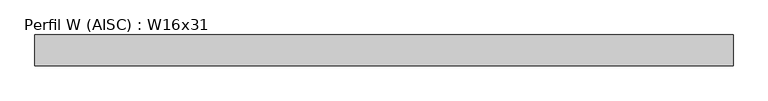
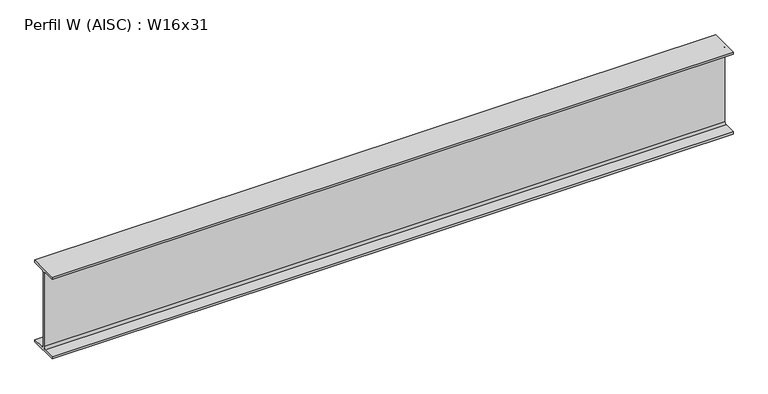
"""IFC4 building model written with IfcOpenShell, lengths in millimetres: beam geometry, Perfil W (AISC) : W16x31."""

from ifc_helpers import new_model, si_unit, point, frame, frame_2d, origin, place, context, project, spatial, polyline, circle_curve, trimmed, segment, composite_curve, outline, extrude, source, transform, mapped, element, save


def perfil_w_aisc_w16x31_027d14c0(model_context):
    return source(origin(), model_context, "Body", "SweptSolid", [
        extrude(outline(composite_curve([segment(polyline([(70.0, -190.8), (70.0, -202.0), (-70.0, -202.0), (-70.0, -190.8), (-13.695, -190.8)]), True, "CONTINUOUS"), segment(trimmed(circle_curve(frame_2d((-13.695, -180.6)), 10.2), [point((-13.695, -190.8))], [point((-3.495, -180.6))], True, "CARTESIAN"), True, "CONTINUOUS"), segment(polyline([(-3.495, -180.6), (-3.495, 180.6)]), True, "CONTINUOUS"), segment(trimmed(circle_curve(frame_2d((-13.695, 180.6)), 10.2), [point((-3.495, 180.6))], [point((-13.695, 190.8))], True, "CARTESIAN"), True, "CONTINUOUS"), segment(polyline([(-13.695, 190.8), (-70.0, 190.8), (-70.0, 202.0), (70.0, 202.0), (70.0, 190.8), (13.695, 190.8)]), True, "CONTINUOUS"), segment(trimmed(circle_curve(frame_2d((13.695, 180.6)), 10.2), [point((13.695, 190.8))], [point((3.495, 180.6))], True, "CARTESIAN"), True, "CONTINUOUS"), segment(polyline([(3.495, 180.6), (3.495, -180.6)]), True, "CONTINUOUS"), segment(trimmed(circle_curve(frame_2d((13.695, -180.6)), 10.2), [point((3.495, -180.6))], [point((13.695, -190.8))], True, "CARTESIAN"), True, "CONTINUOUS"), segment(polyline([(13.695, -190.8), (70.0, -190.8)]), True, "CONTINUOUS")], self_intersect=False)), frame((-1588.3, 0.0, 0.0), z_axis=(1.0, 0.0, 0.0), x_axis=(0.0, 1.0, 0.0)), (0.0, 0.0, 1.0), 3176.6),
    ])


if __name__ == "__main__":
    model = new_model("IFC4")
    model_context = context("Model", 3, world=origin())
    ifc_project = project(units=[si_unit("LENGTHUNIT", "METRE", prefix="MILLI")], contexts=[model_context])
    site = spatial("IfcSite", under=ifc_project)
    building = spatial("IfcBuilding", under=site)
    placement = place(None, origin())
    perfil_w_aisc_w16x31_shape = perfil_w_aisc_w16x31_027d14c0(model_context)
    element("IfcBeam", 1, ObjectType="Perfil W (AISC) : W16x31", at=placement, inside=building, context=model_context, shape_type="MappedRepresentation", body=[
        mapped(perfil_w_aisc_w16x31_shape, transform((0.0, 0.0, 0.0), x_axis=(1.0, 0.0, 0.0), y_axis=(0.0, 1.0, 0.0), z_axis=(0.0, 0.0, 1.0))),
    ])
    save(model, "model.ifc")
